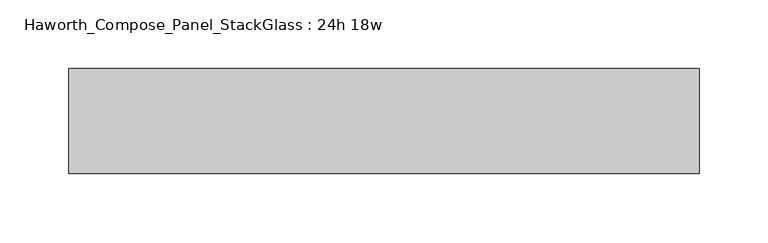
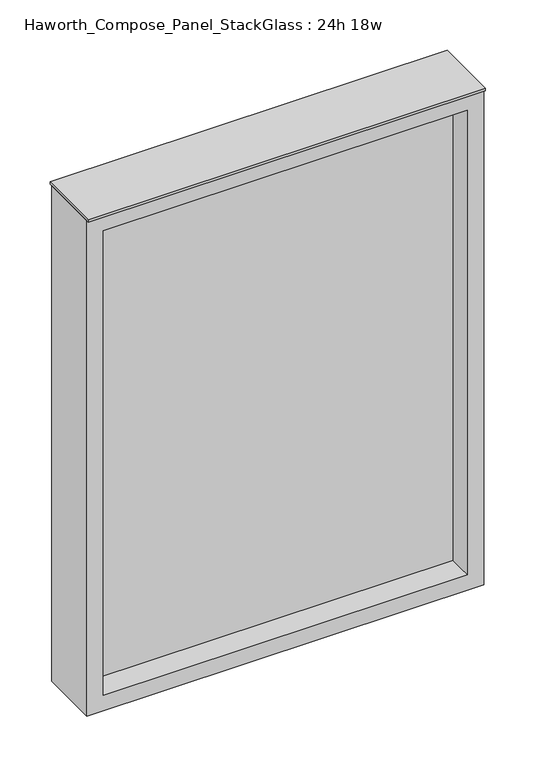
"""IFC4 building model written with IfcOpenShell, lengths in millimetres: furniture geometry, Haworth_Compose_Panel_StackGlass : 24h 18w."""

from ifc_helpers import new_model, si_unit, frame, origin, place, context, project, spatial, polyline, outline, extrude, source, transform, mapped, element, save


def haworth_compose_panel_stackglass_24h_18w_0c81446e(model_context):
    return source(origin(), model_context, "Body", "SweptSolid", [
        extrude(outline(polyline([(211.9902902, -6.35), (-207.1097098, -6.35), (-207.1097098, 6.35), (211.9902902, 6.35), (211.9902902, -6.35)])), frame((0.0, 0.0, 1085.85), z_axis=(0.0, 0.0, 1.0), x_axis=(1.0, 0.0, 0.0)), (0.0, 0.0, 1.0), 565.15),
        extrude(outline(polyline([(1670.05, -226.1597098), (1066.8, -226.1597098), (1066.8, 231.0402902), (1670.05, 231.0402902), (1670.05, -226.1597098)]), holes=[polyline([(1651.0, 211.9902902), (1085.85, 211.9902902), (1085.85, -207.1097098), (1651.0, -207.1097098), (1651.0, 211.9902902)])]), frame((0.0, -34.925, 0.0), z_axis=(0.0, 1.0, 0.0), x_axis=(0.0, 0.0, 1.0)), (0.0, 0.0, 1.0), 69.85),
        extrude(outline(polyline([(-226.1597098, -38.1), (-226.1597098, 38.1), (231.0402902, 38.1), (231.0402902, -38.1), (-226.1597098, -38.1)])), frame((0.0, 0.0, 1670.05), z_axis=(0.0, 0.0, 1.0), x_axis=(1.0, 0.0, 0.0)), (0.0, 0.0, 1.0), 3.175),
    ])


if __name__ == "__main__":
    model = new_model("IFC4")
    model_context = context("Model", 3, world=origin())
    ifc_project = project(units=[si_unit("LENGTHUNIT", "METRE", prefix="MILLI")], contexts=[model_context])
    site = spatial("IfcSite", under=ifc_project)
    building = spatial("IfcBuilding", under=site)
    placement = place(None, origin())
    haworth_compose_panel_stackglass_24h_18w_shape = haworth_compose_panel_stackglass_24h_18w_0c81446e(model_context)
    element("IfcFurniture", 1, ObjectType="Haworth_Compose_Panel_StackGlass : 24h 18w", at=placement, inside=building, context=model_context, shape_type="MappedRepresentation", body=[
        mapped(haworth_compose_panel_stackglass_24h_18w_shape, transform((0.0, 0.0, 0.0), x_axis=(1.0, 0.0, 0.0), y_axis=(0.0, 1.0, 0.0), z_axis=(0.0, 0.0, 1.0))),
    ])
    save(model, "model.ifc")
